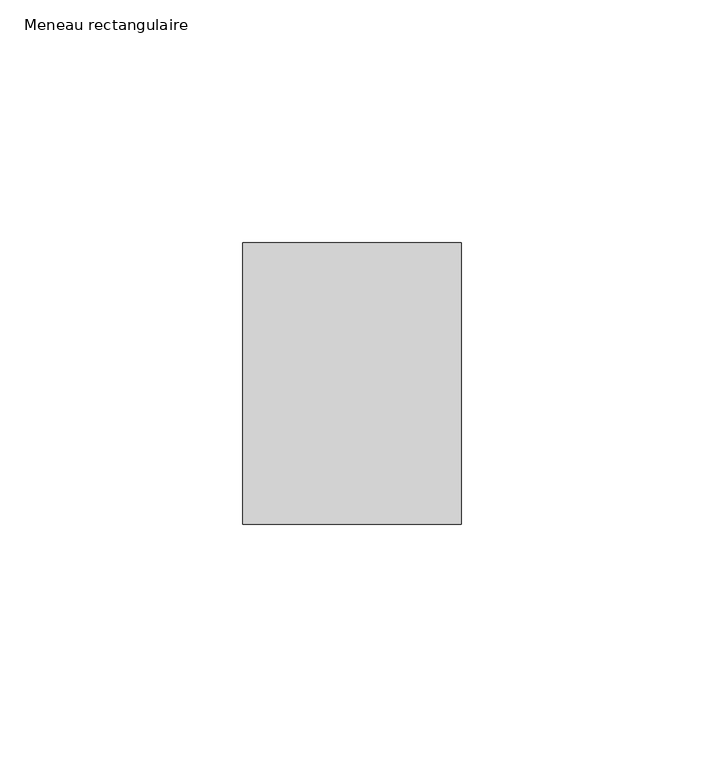
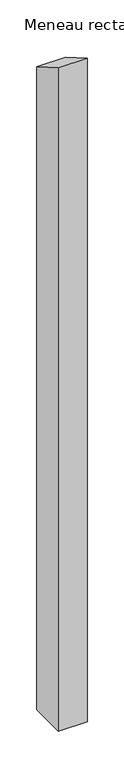
"""IFC4 building model written with IfcOpenShell, lengths in millimetres: member geometry, Meneau rectangulaire."""

import ifcopenshell
import ifcopenshell.guid

model = None  # the IFC model being written
_history = None  # IfcOwnerHistory: only IFC2X3 demands one
_inside = {}  # id of a spatial element -> (the spatial element, [elements in it])
_under = {}  # id of a project, library or spatial element -> (it, [spatial elements below it])
_declared = {}  # id of a project -> (the project, [libraries it declares])
_typed = {}  # id of a type object -> (the type object, [elements of that type])
_made_of = {}  # id of a material, layer set ... -> (it, [elements and type objects made of it])


def new_model(schema):
    """Start an empty IFC model of exactly this schema.

    Asked for "IFC4X3", IfcOpenShell would pick the latest addendum, in which some entities
    have other attributes; the version numbers below select the first issue.
    IFC2X3 requires an IfcOwnerHistory on every rooted entity: one is made here for all.
    """
    global model, _history
    if schema == "IFC4X3":
        model = ifcopenshell.file(schema_version=(4, 3, 0, 0))
    else:
        model = ifcopenshell.file(schema=schema)
    _inside.clear()
    _under.clear()
    _declared.clear()
    _typed.clear()
    _made_of.clear()
    _history = None
    if model.schema == "IFC2X3":
        org = make("IfcOrganization", Name="unknown")
        user = make(
            "IfcPersonAndOrganization",
            ThePerson=make("IfcPerson", FamilyName="unknown"),
            TheOrganization=org,
        )
        app = make(
            "IfcApplication",
            ApplicationDeveloper=org,
            Version="unknown",
            ApplicationFullName="unknown",
            ApplicationIdentifier="unknown",
        )
        _history = make(
            "IfcOwnerHistory",
            OwningUser=user,
            OwningApplication=app,
            ChangeAction="ADDED",
            CreationDate=0,
        )
    return model


def make(cls, **values):
    """One entity of the class cls with the attributes given. An attribute that is None is left unset."""
    return model.create_entity(
        cls, **{name: value for name, value in values.items() if value is not None}
    )


def rooted(cls, **values):
    """An entity with a GlobalId (a new one), such as an element, a storey or a relation."""
    return make(cls, GlobalId=ifcopenshell.guid.new(), OwnerHistory=_history, **values)


def si_unit(unit_type, name, prefix=None):
    """IfcSIUnit, for example si_unit("LENGTHUNIT", "METRE", prefix="MILLI")."""
    return make("IfcSIUnit", UnitType=unit_type, Prefix=prefix, Name=name)


def assignment(units):
    """IfcUnitAssignment: the units of a project."""
    return None if units is None else make("IfcUnitAssignment", Units=units)


def point(xyz):
    """IfcCartesianPoint."""
    return None if xyz is None else make("IfcCartesianPoint", Coordinates=xyz)


def direction(xyz):
    """IfcDirection."""
    return None if xyz is None else make("IfcDirection", DirectionRatios=xyz)


def frame(location, z_axis=None, x_axis=None):
    """IfcAxis2Placement3D, a coordinate frame: its origin and axes. An axis left out is left unset."""
    return make(
        "IfcAxis2Placement3D",
        Location=point(location),
        Axis=direction(z_axis),
        RefDirection=direction(x_axis),
    )


def origin():
    """The frame at (0, 0, 0) with its axes left unset."""
    return frame((0.0, 0.0, 0.0))


def place(relative_to, where):
    """IfcLocalPlacement: puts the frame where relative to a parent placement (None: the world)."""
    return make(
        "IfcLocalPlacement", PlacementRelTo=relative_to, RelativePlacement=where
    )


def context(
    kind, dimensions, precision=None, world=None, true_north=None, identifier=None
):
    """IfcGeometricRepresentationContext, for example the 3D "Model" context."""
    return make(
        "IfcGeometricRepresentationContext",
        ContextIdentifier=identifier,
        ContextType=kind,
        CoordinateSpaceDimension=dimensions,
        Precision=precision,
        WorldCoordinateSystem=world,
        TrueNorth=true_north,
    )


def project(units=None, contexts=None):
    """IfcProject with its units and contexts."""
    return rooted(
        "IfcProject",
        Name="project",
        RepresentationContexts=contexts,
        UnitsInContext=assignment(units),
    )


def spatial(cls, under=None, at=None, **own):
    """A site, building, storey or space (cls), placed at a placement, below another one or the project."""
    s = rooted(cls, ObjectPlacement=at, **own)
    if under is not None:
        _under.setdefault(under.id(), (under, []))[1].append(s)
    return s


def polyline(points):
    """IfcPolyline through the points."""
    return make("IfcPolyline", Points=[point(p) for p in points])


def outline(outer, holes=None, kind="AREA"):
    """IfcArbitraryClosedProfileDef: a profile drawn as a closed curve; with holes, ...WithVoids."""
    if holes is None:
        return make("IfcArbitraryClosedProfileDef", ProfileType=kind, OuterCurve=outer)
    return make(
        "IfcArbitraryProfileDefWithVoids",
        ProfileType=kind,
        OuterCurve=outer,
        InnerCurves=holes,
    )


def extrude(swept, where, along, depth):
    """IfcExtrudedAreaSolid: the profile swept, set in the frame where, extruded along a direction by depth."""
    return make(
        "IfcExtrudedAreaSolid",
        SweptArea=swept,
        Position=where,
        ExtrudedDirection=direction(along),
        Depth=depth,
    )


def shape(context_of_items, identifier, shape_type, items):
    """IfcShapeRepresentation: the items that make up one representation, for example the "Body"."""
    return make(
        "IfcShapeRepresentation",
        ContextOfItems=context_of_items,
        RepresentationIdentifier=identifier,
        RepresentationType=shape_type,
        Items=items,
    )


def source(mapping_origin, context_of_items, identifier, shape_type, items):
    """IfcRepresentationMap: a shape defined once, which mapped items show again and again."""
    return make(
        "IfcRepresentationMap",
        MappingOrigin=mapping_origin,
        MappedRepresentation=shape(context_of_items, identifier, shape_type, items),
    )


def transform(
    local_origin,
    x_axis=None,
    y_axis=None,
    z_axis=None,
    scale=None,
    scale2=None,
    scale3=None,
    uniform=True,
):
    """IfcCartesianTransformationOperator3D, or its non-uniform kind. x_axis, y_axis, z_axis: its Axis1, 2, 3."""
    if uniform:
        return make(
            "IfcCartesianTransformationOperator3D",
            Axis1=direction(x_axis),
            Axis2=direction(y_axis),
            LocalOrigin=point(local_origin),
            Scale=scale,
            Axis3=direction(z_axis),
        )
    return make(
        "IfcCartesianTransformationOperator3DnonUniform",
        Axis1=direction(x_axis),
        Axis2=direction(y_axis),
        LocalOrigin=point(local_origin),
        Scale=scale,
        Axis3=direction(z_axis),
        Scale2=scale2,
        Scale3=scale3,
    )


def mapped(mapping_source, mapping_target):
    """IfcMappedItem: shows the shape of a source again, moved by a transform."""
    return make(
        "IfcMappedItem", MappingSource=mapping_source, MappingTarget=mapping_target
    )


def made_of(thing, what):
    """Note that an element or type object is made of a material, layer set ...; save() writes the relation."""
    if what is not None:
        _made_of.setdefault(what.id(), (what, []))[1].append(thing)
    return thing


def element(
    cls,
    number,
    at=None,
    inside=None,
    cuts=None,
    type_object=None,
    material=None,
    context=None,
    identifier="Body",
    shape_type=None,
    held_by="IfcProductDefinitionShape",
    body=None,
    shapes=None,
    **own,
):
    """One element of the class cls, such as IfcWall. Its Tag is "e" and its number.

    at: its placement. inside: the storey or other place that contains it. cuts: it is an
    opening in that element (IfcRelVoidsElement). A single representation is given by context,
    identifier, shape_type and body (its items); several are given by shapes. held_by: the class
    of the entity that holds the representations. save() writes the other relations.
    """
    e = rooted(cls, Tag="e%d" % number, ObjectPlacement=at, **own)
    if body is not None:
        shapes = [shape(context, identifier, shape_type, body)]
    if shapes is not None:
        e.Representation = make(held_by, Representations=shapes)
    if inside is not None:
        _inside.setdefault(inside.id(), (inside, []))[1].append(e)
    if cuts is not None:
        rooted(
            "IfcRelVoidsElement", RelatingBuildingElement=cuts, RelatedOpeningElement=e
        )
    if type_object is not None:
        _typed.setdefault(type_object.id(), (type_object, []))[1].append(e)
    return made_of(e, material)


def aggregate(whole, parts):
    """IfcRelAggregates: a whole, such as a stair, and the parts it consists of."""
    return rooted("IfcRelAggregates", RelatingObject=whole, RelatedObjects=parts)


def save(model, path):
    """Write the relations noted so far, then the file.

    IfcRelAggregates (storeys below a building ...), IfcRelContainedInSpatialStructure (elements
    in a storey), IfcRelDefinesByType, IfcRelAssociatesMaterial and IfcRelDeclares: one each for
    every whole, place, type object, material and project.
    """
    for whole, parts in _under.values():
        aggregate(whole, parts)
    for where, things in _inside.values():
        rooted(
            "IfcRelContainedInSpatialStructure",
            RelatedElements=things,
            RelatingStructure=where,
        )
    for kind, things in _typed.values():
        rooted("IfcRelDefinesByType", RelatedObjects=things, RelatingType=kind)
    for what, things in _made_of.values():
        rooted("IfcRelAssociatesMaterial", RelatedObjects=things, RelatingMaterial=what)
    for by, libraries in _declared.values():
        rooted("IfcRelDeclares", RelatingContext=by, RelatedDefinitions=libraries)
    model.write(path)


def meneau_rectangulaire_83834e57(model_context):
    return source(origin(), model_context, "Body", "SweptSolid", [
        extrude(outline(polyline([(-29.0, 16.7431578), (29.0, -16.7431578), (29.0, -1081.0497356), (-29.0, -1081.0497356), (-29.0, 16.7431578)])), frame((-45.0, 0.0, 0.0), z_axis=(1.0, 0.0, 0.0), x_axis=(0.0, 1.0, 0.0)), (0.0, 0.0, 1.0), 45.0),
    ])


if __name__ == "__main__":
    model = new_model("IFC4")
    model_context = context("Model", 3, world=origin())
    ifc_project = project(units=[si_unit("LENGTHUNIT", "METRE", prefix="MILLI")], contexts=[model_context])
    site = spatial("IfcSite", under=ifc_project)
    building = spatial("IfcBuilding", under=site)
    placement = place(None, origin())
    meneau_rectangulaire_shape = meneau_rectangulaire_83834e57(model_context)
    element("IfcMember", 1, ObjectType="Meneau rectangulaire", at=placement, inside=building, context=model_context, shape_type="MappedRepresentation", body=[
        mapped(meneau_rectangulaire_shape, transform((0.0, 0.0, 0.0), x_axis=(1.0, 0.0, 0.0), y_axis=(0.0, 1.0, 0.0), z_axis=(0.0, 0.0, 1.0))),
    ])
    save(model, "model.ifc")
